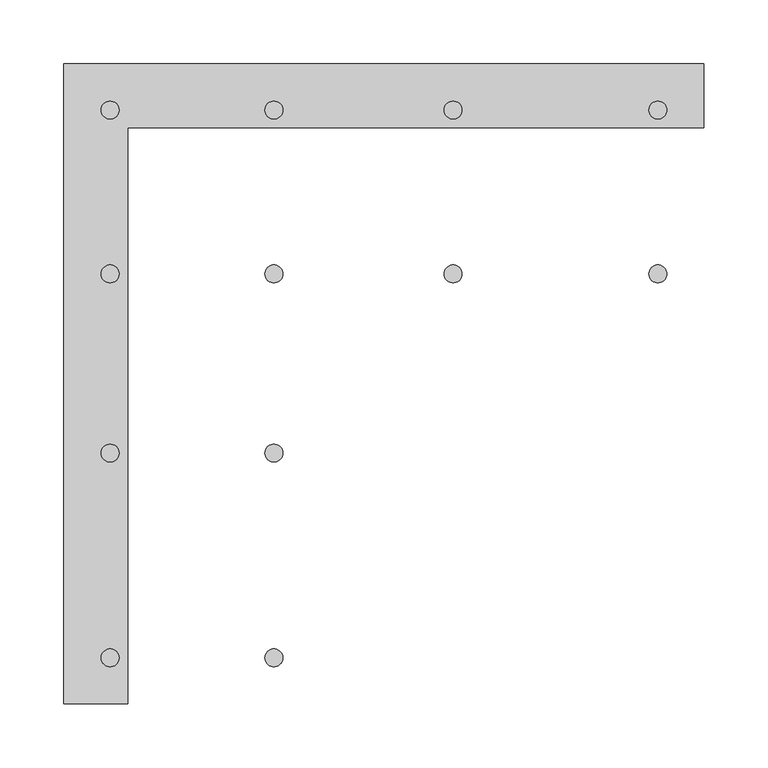
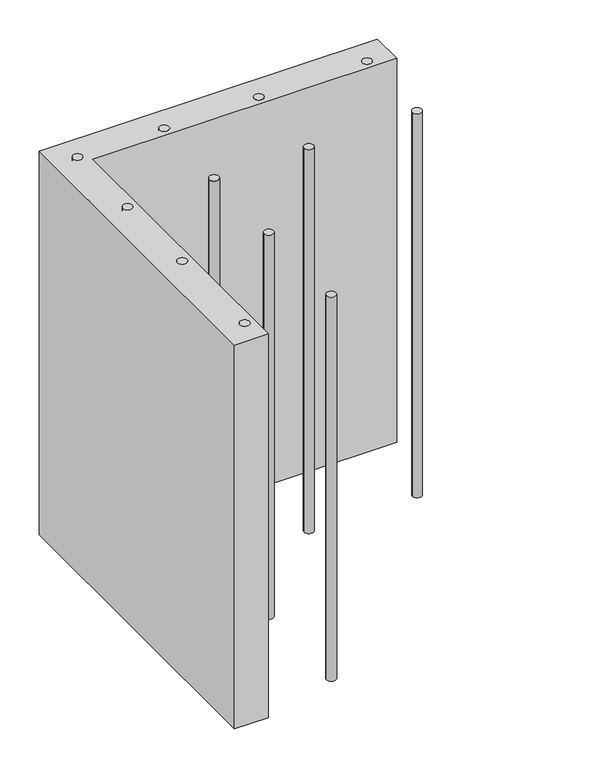
"""IFC4 building model written with IfcOpenShell, lengths in millimetres: proxy geometry."""

import ifcopenshell
import ifcopenshell.guid

model = None  # the IFC model being written
_history = None  # IfcOwnerHistory: only IFC2X3 demands one
_inside = {}  # id of a spatial element -> (the spatial element, [elements in it])
_under = {}  # id of a project, library or spatial element -> (it, [spatial elements below it])
_declared = {}  # id of a project -> (the project, [libraries it declares])
_typed = {}  # id of a type object -> (the type object, [elements of that type])
_made_of = {}  # id of a material, layer set ... -> (it, [elements and type objects made of it])


def new_model(schema):
    """Start an empty IFC model of exactly this schema.

    Asked for "IFC4X3", IfcOpenShell would pick the latest addendum, in which some entities
    have other attributes; the version numbers below select the first issue.
    IFC2X3 requires an IfcOwnerHistory on every rooted entity: one is made here for all.
    """
    global model, _history
    if schema == "IFC4X3":
        model = ifcopenshell.file(schema_version=(4, 3, 0, 0))
    else:
        model = ifcopenshell.file(schema=schema)
    _inside.clear()
    _under.clear()
    _declared.clear()
    _typed.clear()
    _made_of.clear()
    _history = None
    if model.schema == "IFC2X3":
        org = make("IfcOrganization", Name="unknown")
        user = make(
            "IfcPersonAndOrganization",
            ThePerson=make("IfcPerson", FamilyName="unknown"),
            TheOrganization=org,
        )
        app = make(
            "IfcApplication",
            ApplicationDeveloper=org,
            Version="unknown",
            ApplicationFullName="unknown",
            ApplicationIdentifier="unknown",
        )
        _history = make(
            "IfcOwnerHistory",
            OwningUser=user,
            OwningApplication=app,
            ChangeAction="ADDED",
            CreationDate=0,
        )
    return model


def make(cls, **values):
    """One entity of the class cls with the attributes given. An attribute that is None is left unset."""
    return model.create_entity(
        cls, **{name: value for name, value in values.items() if value is not None}
    )


def rooted(cls, **values):
    """An entity with a GlobalId (a new one), such as an element, a storey or a relation."""
    return make(cls, GlobalId=ifcopenshell.guid.new(), OwnerHistory=_history, **values)


def si_unit(unit_type, name, prefix=None):
    """IfcSIUnit, for example si_unit("LENGTHUNIT", "METRE", prefix="MILLI")."""
    return make("IfcSIUnit", UnitType=unit_type, Prefix=prefix, Name=name)


def assignment(units):
    """IfcUnitAssignment: the units of a project."""
    return None if units is None else make("IfcUnitAssignment", Units=units)


def point(xyz):
    """IfcCartesianPoint."""
    return None if xyz is None else make("IfcCartesianPoint", Coordinates=xyz)


def direction(xyz):
    """IfcDirection."""
    return None if xyz is None else make("IfcDirection", DirectionRatios=xyz)


def frame(location, z_axis=None, x_axis=None):
    """IfcAxis2Placement3D, a coordinate frame: its origin and axes. An axis left out is left unset."""
    return make(
        "IfcAxis2Placement3D",
        Location=point(location),
        Axis=direction(z_axis),
        RefDirection=direction(x_axis),
    )


def frame_2d(location, x_axis=None):
    """IfcAxis2Placement2D, a coordinate frame in the plane: its origin and x axis."""
    return make(
        "IfcAxis2Placement2D", Location=point(location), RefDirection=direction(x_axis)
    )


def origin():
    """The frame at (0, 0, 0) with its axes left unset."""
    return frame((0.0, 0.0, 0.0))


def origin_with_axes():
    """The frame at (0, 0, 0) with the z axis (0, 0, 1) and the x axis (1, 0, 0) written out."""
    return frame((0.0, 0.0, 0.0), z_axis=(0.0, 0.0, 1.0), x_axis=(1.0, 0.0, 0.0))


def place(relative_to, where):
    """IfcLocalPlacement: puts the frame where relative to a parent placement (None: the world)."""
    return make(
        "IfcLocalPlacement", PlacementRelTo=relative_to, RelativePlacement=where
    )


def context(
    kind, dimensions, precision=None, world=None, true_north=None, identifier=None
):
    """IfcGeometricRepresentationContext, for example the 3D "Model" context."""
    return make(
        "IfcGeometricRepresentationContext",
        ContextIdentifier=identifier,
        ContextType=kind,
        CoordinateSpaceDimension=dimensions,
        Precision=precision,
        WorldCoordinateSystem=world,
        TrueNorth=true_north,
    )


def project(units=None, contexts=None):
    """IfcProject with its units and contexts."""
    return rooted(
        "IfcProject",
        Name="project",
        RepresentationContexts=contexts,
        UnitsInContext=assignment(units),
    )


def spatial(cls, under=None, at=None, **own):
    """A site, building, storey or space (cls), placed at a placement, below another one or the project."""
    s = rooted(cls, ObjectPlacement=at, **own)
    if under is not None:
        _under.setdefault(under.id(), (under, []))[1].append(s)
    return s


def polyline(points):
    """IfcPolyline through the points."""
    return make("IfcPolyline", Points=[point(p) for p in points])


def circle_curve(where, radius):
    """IfcCircle in the frame where."""
    return make("IfcCircle", Position=where, Radius=radius)


def trimmed(basis, trim1, trim2, sense, master):
    """IfcTrimmedCurve: the piece of a basis curve between two trims."""
    return make(
        "IfcTrimmedCurve",
        BasisCurve=basis,
        Trim1=trim1,
        Trim2=trim2,
        SenseAgreement=sense,
        MasterRepresentation=master,
    )


def segment(curve, same_sense, transition):
    """IfcCompositeCurveSegment."""
    return make(
        "IfcCompositeCurveSegment",
        Transition=transition,
        SameSense=same_sense,
        ParentCurve=curve,
    )


def composite_curve(segments, self_intersect=None):
    """IfcCompositeCurve: segments joined end to end."""
    return make("IfcCompositeCurve", Segments=segments, SelfIntersect=self_intersect)


def outline(outer, holes=None, kind="AREA"):
    """IfcArbitraryClosedProfileDef: a profile drawn as a closed curve; with holes, ...WithVoids."""
    if holes is None:
        return make("IfcArbitraryClosedProfileDef", ProfileType=kind, OuterCurve=outer)
    return make(
        "IfcArbitraryProfileDefWithVoids",
        ProfileType=kind,
        OuterCurve=outer,
        InnerCurves=holes,
    )


def extrude(swept, where, along, depth):
    """IfcExtrudedAreaSolid: the profile swept, set in the frame where, extruded along a direction by depth."""
    return make(
        "IfcExtrudedAreaSolid",
        SweptArea=swept,
        Position=where,
        ExtrudedDirection=direction(along),
        Depth=depth,
    )


def shape(context_of_items, identifier, shape_type, items):
    """IfcShapeRepresentation: the items that make up one representation, for example the "Body"."""
    return make(
        "IfcShapeRepresentation",
        ContextOfItems=context_of_items,
        RepresentationIdentifier=identifier,
        RepresentationType=shape_type,
        Items=items,
    )


def source(mapping_origin, context_of_items, identifier, shape_type, items):
    """IfcRepresentationMap: a shape defined once, which mapped items show again and again."""
    return make(
        "IfcRepresentationMap",
        MappingOrigin=mapping_origin,
        MappedRepresentation=shape(context_of_items, identifier, shape_type, items),
    )


def transform(
    local_origin,
    x_axis=None,
    y_axis=None,
    z_axis=None,
    scale=None,
    scale2=None,
    scale3=None,
    uniform=True,
):
    """IfcCartesianTransformationOperator3D, or its non-uniform kind. x_axis, y_axis, z_axis: its Axis1, 2, 3."""
    if uniform:
        return make(
            "IfcCartesianTransformationOperator3D",
            Axis1=direction(x_axis),
            Axis2=direction(y_axis),
            LocalOrigin=point(local_origin),
            Scale=scale,
            Axis3=direction(z_axis),
        )
    return make(
        "IfcCartesianTransformationOperator3DnonUniform",
        Axis1=direction(x_axis),
        Axis2=direction(y_axis),
        LocalOrigin=point(local_origin),
        Scale=scale,
        Axis3=direction(z_axis),
        Scale2=scale2,
        Scale3=scale3,
    )


def mapped(mapping_source, mapping_target):
    """IfcMappedItem: shows the shape of a source again, moved by a transform."""
    return make(
        "IfcMappedItem", MappingSource=mapping_source, MappingTarget=mapping_target
    )


def made_of(thing, what):
    """Note that an element or type object is made of a material, layer set ...; save() writes the relation."""
    if what is not None:
        _made_of.setdefault(what.id(), (what, []))[1].append(thing)
    return thing


def element(
    cls,
    number,
    at=None,
    inside=None,
    cuts=None,
    type_object=None,
    material=None,
    context=None,
    identifier="Body",
    shape_type=None,
    held_by="IfcProductDefinitionShape",
    body=None,
    shapes=None,
    **own,
):
    """One element of the class cls, such as IfcWall. Its Tag is "e" and its number.

    at: its placement. inside: the storey or other place that contains it. cuts: it is an
    opening in that element (IfcRelVoidsElement). A single representation is given by context,
    identifier, shape_type and body (its items); several are given by shapes. held_by: the class
    of the entity that holds the representations. save() writes the other relations.
    """
    e = rooted(cls, Tag="e%d" % number, ObjectPlacement=at, **own)
    if body is not None:
        shapes = [shape(context, identifier, shape_type, body)]
    if shapes is not None:
        e.Representation = make(held_by, Representations=shapes)
    if inside is not None:
        _inside.setdefault(inside.id(), (inside, []))[1].append(e)
    if cuts is not None:
        rooted(
            "IfcRelVoidsElement", RelatingBuildingElement=cuts, RelatedOpeningElement=e
        )
    if type_object is not None:
        _typed.setdefault(type_object.id(), (type_object, []))[1].append(e)
    return made_of(e, material)


def aggregate(whole, parts):
    """IfcRelAggregates: a whole, such as a stair, and the parts it consists of."""
    return rooted("IfcRelAggregates", RelatingObject=whole, RelatedObjects=parts)


def save(model, path):
    """Write the relations noted so far, then the file.

    IfcRelAggregates (storeys below a building ...), IfcRelContainedInSpatialStructure (elements
    in a storey), IfcRelDefinesByType, IfcRelAssociatesMaterial and IfcRelDeclares: one each for
    every whole, place, type object, material and project.
    """
    for whole, parts in _under.values():
        aggregate(whole, parts)
    for where, things in _inside.values():
        rooted(
            "IfcRelContainedInSpatialStructure",
            RelatedElements=things,
            RelatingStructure=where,
        )
    for kind, things in _typed.values():
        rooted("IfcRelDefinesByType", RelatedObjects=things, RelatingType=kind)
    for what, things in _made_of.values():
        rooted("IfcRelAssociatesMaterial", RelatedObjects=things, RelatingMaterial=what)
    for by, libraries in _declared.values():
        rooted("IfcRelDeclares", RelatingContext=by, RelatedDefinitions=libraries)
    model.write(path)


def generic_models_c50bfe7b(model_context):
    return source(origin(), model_context, "Body", "SweptSolid", [
        extrude(outline(composite_curve([segment(trimmed(circle_curve(frame_2d((12.0, 12.0)), 7.0), [point((19.0, 12.0))], [point((5.0, 12.0))], False, "CARTESIAN"), True, "CONTINUOUS"), segment(trimmed(circle_curve(frame_2d((12.0, 12.0)), 7.0), [point((5.0, 12.0))], [point((19.0, 12.0))], False, "CARTESIAN"), True, "CONTINUOUS")], self_intersect=False)), origin_with_axes(), (0.0, 0.0, 1.0), 599.875),
        extrude(outline(composite_curve([segment(trimmed(circle_curve(frame_2d((140.0, 12.0)), 7.0), [point((133.0, 12.0))], [point((147.0, 12.0))], False, "CARTESIAN"), True, "CONTINUOUS"), segment(trimmed(circle_curve(frame_2d((140.0, 12.0)), 7.0), [point((147.0, 12.0))], [point((133.0, 12.0))], False, "CARTESIAN"), True, "CONTINUOUS")], self_intersect=False)), origin_with_axes(), (0.0, 0.0, 1.0), 599.875),
        extrude(outline(composite_curve([segment(trimmed(circle_curve(frame_2d((12.0, 172.0)), 7.0), [point((5.0, 172.0))], [point((19.0, 172.0))], False, "CARTESIAN"), True, "CONTINUOUS"), segment(trimmed(circle_curve(frame_2d((12.0, 172.0)), 7.0), [point((19.0, 172.0))], [point((5.0, 172.0))], False, "CARTESIAN"), True, "CONTINUOUS")], self_intersect=False)), origin_with_axes(), (0.0, 0.0, 1.0), 599.875),
        extrude(outline(composite_curve([segment(trimmed(circle_curve(frame_2d((140.0, 172.0)), 7.0), [point((133.0, 172.0))], [point((147.0, 172.0))], False, "CARTESIAN"), True, "CONTINUOUS"), segment(trimmed(circle_curve(frame_2d((140.0, 172.0)), 7.0), [point((147.0, 172.0))], [point((133.0, 172.0))], False, "CARTESIAN"), True, "CONTINUOUS")], self_intersect=False)), origin_with_axes(), (0.0, 0.0, 1.0), 599.875),
        extrude(outline(composite_curve([segment(trimmed(circle_curve(frame_2d((12.0, 312.0)), 7.0), [point((19.0, 312.0))], [point((5.0, 312.0))], False, "CARTESIAN"), True, "CONTINUOUS"), segment(trimmed(circle_curve(frame_2d((12.0, 312.0)), 7.0), [point((5.0, 312.0))], [point((19.0, 312.0))], False, "CARTESIAN"), True, "CONTINUOUS")], self_intersect=False)), origin_with_axes(), (0.0, 0.0, 1.0), 599.875),
        extrude(outline(composite_curve([segment(trimmed(circle_curve(frame_2d((140.0, 312.0)), 7.0), [point((133.0, 312.0))], [point((147.0, 312.0))], False, "CARTESIAN"), True, "CONTINUOUS"), segment(trimmed(circle_curve(frame_2d((140.0, 312.0)), 7.0), [point((147.0, 312.0))], [point((133.0, 312.0))], False, "CARTESIAN"), True, "CONTINUOUS")], self_intersect=False)), origin_with_axes(), (0.0, 0.0, 1.0), 599.875),
        extrude(outline(composite_curve([segment(trimmed(circle_curve(frame_2d((12.0, 440.0)), 7.0), [point((5.0, 440.0))], [point((19.0, 440.0))], False, "CARTESIAN"), True, "CONTINUOUS"), segment(trimmed(circle_curve(frame_2d((12.0, 440.0)), 7.0), [point((19.0, 440.0))], [point((5.0, 440.0))], False, "CARTESIAN"), True, "CONTINUOUS")], self_intersect=False)), origin_with_axes(), (0.0, 0.0, 1.0), 599.875),
        extrude(outline(composite_curve([segment(trimmed(circle_curve(frame_2d((140.0, 440.0)), 7.0), [point((147.0, 440.0))], [point((133.0, 440.0))], False, "CARTESIAN"), True, "CONTINUOUS"), segment(trimmed(circle_curve(frame_2d((140.0, 440.0)), 7.0), [point((133.0, 440.0))], [point((147.0, 440.0))], False, "CARTESIAN"), True, "CONTINUOUS")], self_intersect=False)), origin_with_axes(), (0.0, 0.0, 1.0), 599.875),
        extrude(outline(composite_curve([segment(trimmed(circle_curve(frame_2d((280.0, 440.0)), 7.0), [point((287.0, 440.0))], [point((273.0, 440.0))], False, "CARTESIAN"), True, "CONTINUOUS"), segment(trimmed(circle_curve(frame_2d((280.0, 440.0)), 7.0), [point((273.0, 440.0))], [point((287.0, 440.0))], False, "CARTESIAN"), True, "CONTINUOUS")], self_intersect=False)), origin_with_axes(), (0.0, 0.0, 1.0), 599.875),
        extrude(outline(composite_curve([segment(trimmed(circle_curve(frame_2d((280.0, 312.0)), 7.0), [point((273.0, 312.0))], [point((287.0, 312.0))], False, "CARTESIAN"), True, "CONTINUOUS"), segment(trimmed(circle_curve(frame_2d((280.0, 312.0)), 7.0), [point((287.0, 312.0))], [point((273.0, 312.0))], False, "CARTESIAN"), True, "CONTINUOUS")], self_intersect=False)), origin_with_axes(), (0.0, 0.0, 1.0), 599.875),
        extrude(outline(composite_curve([segment(trimmed(circle_curve(frame_2d((440.0, 312.0)), 7.0), [point((447.0, 312.0))], [point((433.0, 312.0))], False, "CARTESIAN"), True, "CONTINUOUS"), segment(trimmed(circle_curve(frame_2d((440.0, 312.0)), 7.0), [point((433.0, 312.0))], [point((447.0, 312.0))], False, "CARTESIAN"), True, "CONTINUOUS")], self_intersect=False)), origin_with_axes(), (0.0, 0.0, 1.0), 599.875),
        extrude(outline(composite_curve([segment(trimmed(circle_curve(frame_2d((440.0, 440.0)), 7.0), [point((447.0, 440.0))], [point((433.0, 440.0))], False, "CARTESIAN"), True, "CONTINUOUS"), segment(trimmed(circle_curve(frame_2d((440.0, 440.0)), 7.0), [point((433.0, 440.0))], [point((447.0, 440.0))], False, "CARTESIAN"), True, "CONTINUOUS")], self_intersect=False)), origin_with_axes(), (0.0, 0.0, 1.0), 599.875),
        extrude(outline(polyline([(-24.0, -24.0), (-24.0, 476.0), (476.0, 476.0), (476.0, 426.0), (26.0, 426.0), (26.0, -24.0), (-24.0, -24.0)])), origin_with_axes(), (0.0, 0.0, 1.0), 599.875),
    ])


if __name__ == "__main__":
    model = new_model("IFC4")
    model_context = context("Model", 3, world=origin())
    ifc_project = project(units=[si_unit("LENGTHUNIT", "METRE", prefix="MILLI")], contexts=[model_context])
    site = spatial("IfcSite", under=ifc_project)
    building = spatial("IfcBuilding", under=site)
    placement = place(None, origin())
    generic_models_shape = generic_models_c50bfe7b(model_context)
    element("IfcBuildingElementProxy", 1, Name="Generic Models", at=placement, inside=building, context=model_context, shape_type="MappedRepresentation", body=[
        mapped(generic_models_shape, transform((0.0, 0.0, 0.0), x_axis=(1.0, 0.0, 0.0), y_axis=(0.0, 1.0, 0.0), z_axis=(0.0, 0.0, 1.0))),
    ])
    save(model, "model.ifc")
